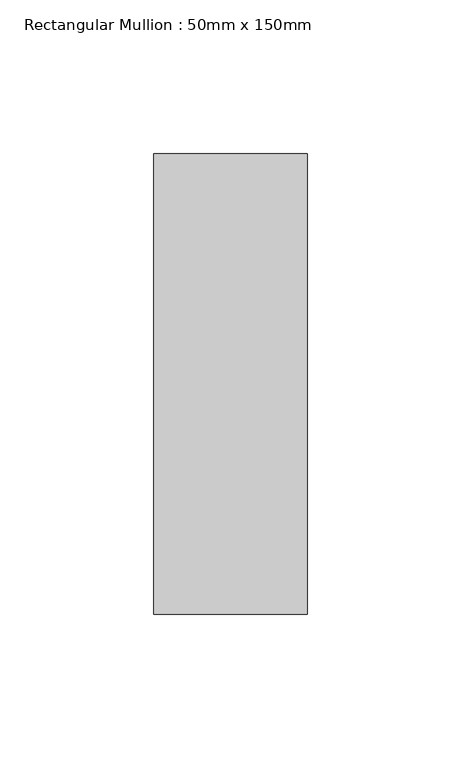
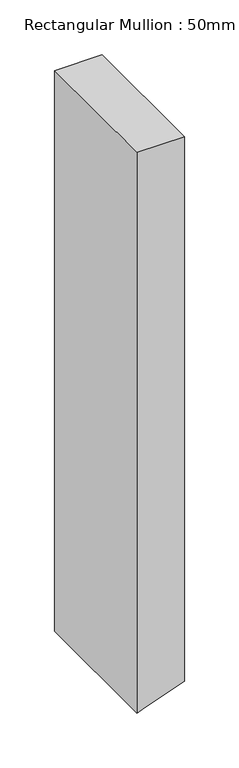
"""IFC4 building model written with IfcOpenShell, lengths in millimetres: member geometry, Rectangular Mullion : 50mm x 150mm."""

from ifc_helpers import new_model, si_unit, point, frame, frame_2d, origin, place, context, project, spatial, polyline, circle_curve, trimmed, segment, composite_curve, outline, extrude, source, transform, mapped, element, save


def rectangular_mullion_50mm_x_150mm_2fd8c9a5(model_context):
    return source(origin(), model_context, "Body", "SweptSolid", [
        extrude(outline(composite_curve([segment(polyline([(0.0, 25.0), (0.0, -25.0), (-624.5213037, -25.0)]), True, "CONTINUOUS"), segment(trimmed(circle_curve(frame_2d((5993.7239329, -2351.8533559)), 7015.3700225), [point((-624.5213037, -25.0))], [point((-621.5773828, -16.6435036))], False, "CARTESIAN"), True, "CONTINUOUS"), segment(trimmed(circle_curve(frame_2d((5993.7239329, -2351.8533559)), 7015.3700225), [point((-621.5773828, -16.6435036))], [point((-606.7294361, 25.0))], False, "CARTESIAN"), True, "CONTINUOUS"), segment(polyline([(-606.7294361, 25.0), (0.0, 25.0)]), True, "CONTINUOUS")], self_intersect=False)), frame((0.0, -75.0, 0.0), z_axis=(0.0, 1.0, 0.0), x_axis=(0.0, 0.0, 1.0)), (0.0, 0.0, 1.0), 150.0),
    ])


if __name__ == "__main__":
    model = new_model("IFC4")
    model_context = context("Model", 3, world=origin())
    ifc_project = project(units=[si_unit("LENGTHUNIT", "METRE", prefix="MILLI")], contexts=[model_context])
    site = spatial("IfcSite", under=ifc_project)
    building = spatial("IfcBuilding", under=site)
    placement = place(None, origin())
    rectangular_mullion_50mm_x_150mm_shape = rectangular_mullion_50mm_x_150mm_2fd8c9a5(model_context)
    element("IfcMember", 1, ObjectType="Rectangular Mullion : 50mm x 150mm", at=placement, inside=building, context=model_context, shape_type="MappedRepresentation", body=[
        mapped(rectangular_mullion_50mm_x_150mm_shape, transform((0.0, 0.0, 0.0), x_axis=(1.0, 0.0, 0.0), y_axis=(0.0, 1.0, 0.0), z_axis=(0.0, 0.0, 1.0))),
    ])
    save(model, "model.ifc")
